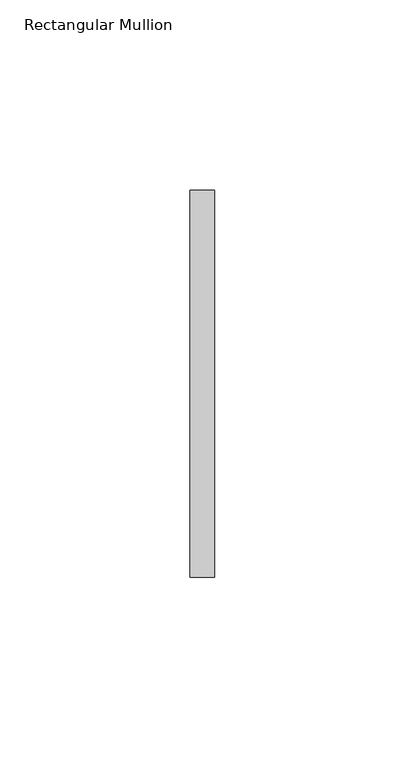
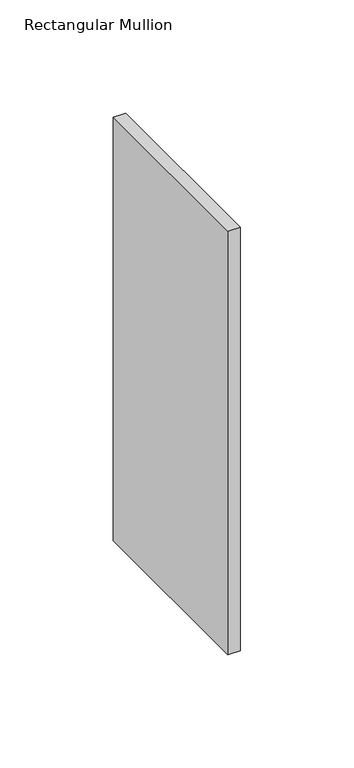
"""IFC4 building model written with IfcOpenShell, lengths in millimetres: member geometry, Rectangular Mullion."""

from ifc_helpers import new_model, si_unit, frame, origin, place, context, project, spatial, polyline, outline, extrude, source, transform, mapped, element, save


def rectangular_mullion_12b53866(model_context):
    return source(origin(), model_context, "Body", "SweptSolid", [
        extrude(outline(polyline([(0.0, 50.8), (0.0, -50.8), (-6.35, -50.8), (-6.35, 50.8), (0.0, 50.8)])), frame((0.0, 0.0, -228.5999997), z_axis=(0.0, 0.0, 1.0), x_axis=(1.0, 0.0, 0.0)), (0.0, 0.0, 1.0), 228.5999997),
    ])


if __name__ == "__main__":
    model = new_model("IFC4")
    model_context = context("Model", 3, world=origin())
    ifc_project = project(units=[si_unit("LENGTHUNIT", "METRE", prefix="MILLI")], contexts=[model_context])
    site = spatial("IfcSite", under=ifc_project)
    building = spatial("IfcBuilding", under=site)
    placement = place(None, origin())
    rectangular_mullion_shape = rectangular_mullion_12b53866(model_context)
    element("IfcMember", 1, ObjectType="Rectangular Mullion", at=placement, inside=building, context=model_context, shape_type="MappedRepresentation", body=[
        mapped(rectangular_mullion_shape, transform((0.0, 0.0, 0.0), x_axis=(1.0, 0.0, 0.0), y_axis=(0.0, 1.0, 0.0), z_axis=(0.0, 0.0, 1.0))),
    ])
    save(model, "model.ifc")
